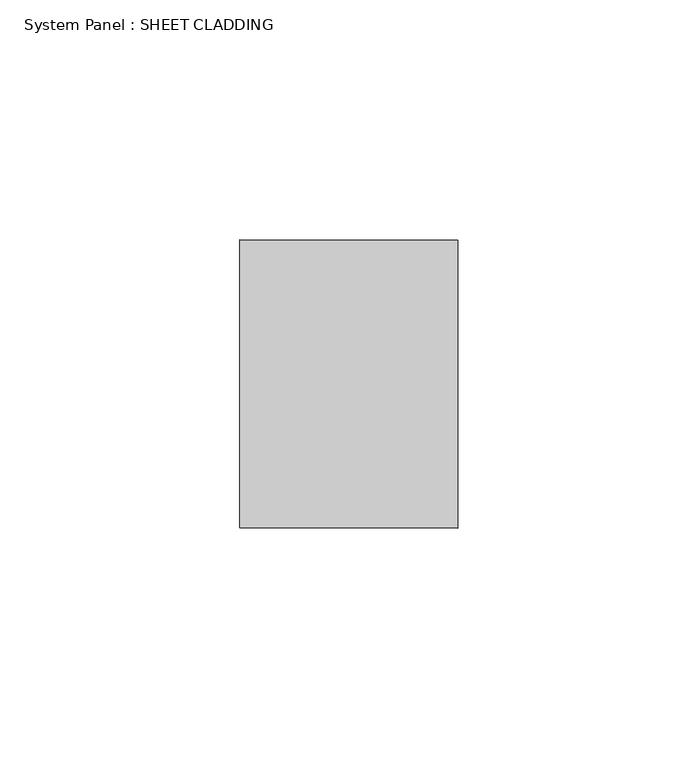
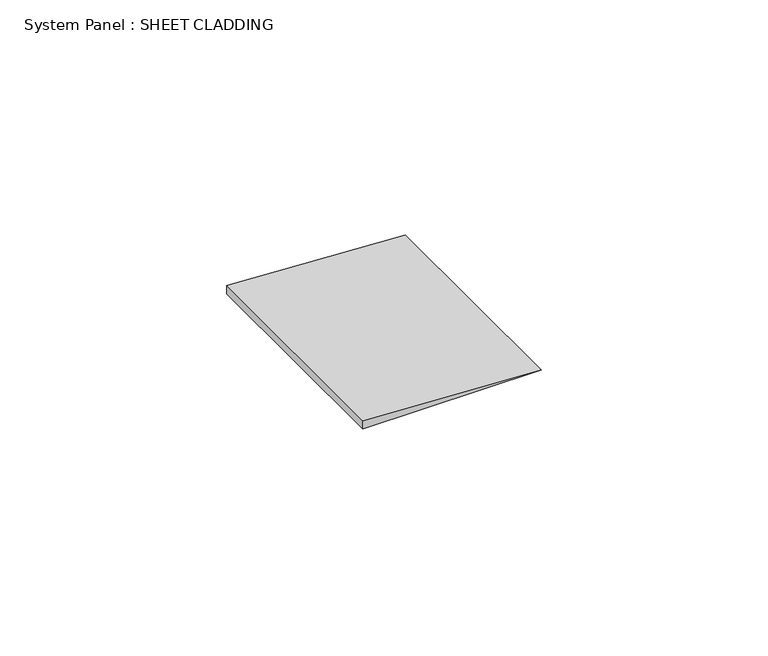
"""IFC4 building model written with IfcOpenShell, lengths in millimetres: plate geometry, System Panel : SHEET CLADDING."""

import ifcopenshell
import ifcopenshell.guid

model = None  # the IFC model being written
_history = None  # IfcOwnerHistory: only IFC2X3 demands one
_inside = {}  # id of a spatial element -> (the spatial element, [elements in it])
_under = {}  # id of a project, library or spatial element -> (it, [spatial elements below it])
_declared = {}  # id of a project -> (the project, [libraries it declares])
_typed = {}  # id of a type object -> (the type object, [elements of that type])
_made_of = {}  # id of a material, layer set ... -> (it, [elements and type objects made of it])


def new_model(schema):
    """Start an empty IFC model of exactly this schema.

    Asked for "IFC4X3", IfcOpenShell would pick the latest addendum, in which some entities
    have other attributes; the version numbers below select the first issue.
    IFC2X3 requires an IfcOwnerHistory on every rooted entity: one is made here for all.
    """
    global model, _history
    if schema == "IFC4X3":
        model = ifcopenshell.file(schema_version=(4, 3, 0, 0))
    else:
        model = ifcopenshell.file(schema=schema)
    _inside.clear()
    _under.clear()
    _declared.clear()
    _typed.clear()
    _made_of.clear()
    _history = None
    if model.schema == "IFC2X3":
        org = make("IfcOrganization", Name="unknown")
        user = make(
            "IfcPersonAndOrganization",
            ThePerson=make("IfcPerson", FamilyName="unknown"),
            TheOrganization=org,
        )
        app = make(
            "IfcApplication",
            ApplicationDeveloper=org,
            Version="unknown",
            ApplicationFullName="unknown",
            ApplicationIdentifier="unknown",
        )
        _history = make(
            "IfcOwnerHistory",
            OwningUser=user,
            OwningApplication=app,
            ChangeAction="ADDED",
            CreationDate=0,
        )
    return model


def make(cls, **values):
    """One entity of the class cls with the attributes given. An attribute that is None is left unset."""
    return model.create_entity(
        cls, **{name: value for name, value in values.items() if value is not None}
    )


def rooted(cls, **values):
    """An entity with a GlobalId (a new one), such as an element, a storey or a relation."""
    return make(cls, GlobalId=ifcopenshell.guid.new(), OwnerHistory=_history, **values)


def si_unit(unit_type, name, prefix=None):
    """IfcSIUnit, for example si_unit("LENGTHUNIT", "METRE", prefix="MILLI")."""
    return make("IfcSIUnit", UnitType=unit_type, Prefix=prefix, Name=name)


def assignment(units):
    """IfcUnitAssignment: the units of a project."""
    return None if units is None else make("IfcUnitAssignment", Units=units)


def point(xyz):
    """IfcCartesianPoint."""
    return None if xyz is None else make("IfcCartesianPoint", Coordinates=xyz)


def direction(xyz):
    """IfcDirection."""
    return None if xyz is None else make("IfcDirection", DirectionRatios=xyz)


def frame(location, z_axis=None, x_axis=None):
    """IfcAxis2Placement3D, a coordinate frame: its origin and axes. An axis left out is left unset."""
    return make(
        "IfcAxis2Placement3D",
        Location=point(location),
        Axis=direction(z_axis),
        RefDirection=direction(x_axis),
    )


def origin():
    """The frame at (0, 0, 0) with its axes left unset."""
    return frame((0.0, 0.0, 0.0))


def place(relative_to, where):
    """IfcLocalPlacement: puts the frame where relative to a parent placement (None: the world)."""
    return make(
        "IfcLocalPlacement", PlacementRelTo=relative_to, RelativePlacement=where
    )


def context(
    kind, dimensions, precision=None, world=None, true_north=None, identifier=None
):
    """IfcGeometricRepresentationContext, for example the 3D "Model" context."""
    return make(
        "IfcGeometricRepresentationContext",
        ContextIdentifier=identifier,
        ContextType=kind,
        CoordinateSpaceDimension=dimensions,
        Precision=precision,
        WorldCoordinateSystem=world,
        TrueNorth=true_north,
    )


def project(units=None, contexts=None):
    """IfcProject with its units and contexts."""
    return rooted(
        "IfcProject",
        Name="project",
        RepresentationContexts=contexts,
        UnitsInContext=assignment(units),
    )


def spatial(cls, under=None, at=None, **own):
    """A site, building, storey or space (cls), placed at a placement, below another one or the project."""
    s = rooted(cls, ObjectPlacement=at, **own)
    if under is not None:
        _under.setdefault(under.id(), (under, []))[1].append(s)
    return s


def polyline(points):
    """IfcPolyline through the points."""
    return make("IfcPolyline", Points=[point(p) for p in points])


def outline(outer, holes=None, kind="AREA"):
    """IfcArbitraryClosedProfileDef: a profile drawn as a closed curve; with holes, ...WithVoids."""
    if holes is None:
        return make("IfcArbitraryClosedProfileDef", ProfileType=kind, OuterCurve=outer)
    return make(
        "IfcArbitraryProfileDefWithVoids",
        ProfileType=kind,
        OuterCurve=outer,
        InnerCurves=holes,
    )


def extrude(swept, where, along, depth):
    """IfcExtrudedAreaSolid: the profile swept, set in the frame where, extruded along a direction by depth."""
    return make(
        "IfcExtrudedAreaSolid",
        SweptArea=swept,
        Position=where,
        ExtrudedDirection=direction(along),
        Depth=depth,
    )


def shape(context_of_items, identifier, shape_type, items):
    """IfcShapeRepresentation: the items that make up one representation, for example the "Body"."""
    return make(
        "IfcShapeRepresentation",
        ContextOfItems=context_of_items,
        RepresentationIdentifier=identifier,
        RepresentationType=shape_type,
        Items=items,
    )


def source(mapping_origin, context_of_items, identifier, shape_type, items):
    """IfcRepresentationMap: a shape defined once, which mapped items show again and again."""
    return make(
        "IfcRepresentationMap",
        MappingOrigin=mapping_origin,
        MappedRepresentation=shape(context_of_items, identifier, shape_type, items),
    )


def transform(
    local_origin,
    x_axis=None,
    y_axis=None,
    z_axis=None,
    scale=None,
    scale2=None,
    scale3=None,
    uniform=True,
):
    """IfcCartesianTransformationOperator3D, or its non-uniform kind. x_axis, y_axis, z_axis: its Axis1, 2, 3."""
    if uniform:
        return make(
            "IfcCartesianTransformationOperator3D",
            Axis1=direction(x_axis),
            Axis2=direction(y_axis),
            LocalOrigin=point(local_origin),
            Scale=scale,
            Axis3=direction(z_axis),
        )
    return make(
        "IfcCartesianTransformationOperator3DnonUniform",
        Axis1=direction(x_axis),
        Axis2=direction(y_axis),
        LocalOrigin=point(local_origin),
        Scale=scale,
        Axis3=direction(z_axis),
        Scale2=scale2,
        Scale3=scale3,
    )


def mapped(mapping_source, mapping_target):
    """IfcMappedItem: shows the shape of a source again, moved by a transform."""
    return make(
        "IfcMappedItem", MappingSource=mapping_source, MappingTarget=mapping_target
    )


def made_of(thing, what):
    """Note that an element or type object is made of a material, layer set ...; save() writes the relation."""
    if what is not None:
        _made_of.setdefault(what.id(), (what, []))[1].append(thing)
    return thing


def element(
    cls,
    number,
    at=None,
    inside=None,
    cuts=None,
    type_object=None,
    material=None,
    context=None,
    identifier="Body",
    shape_type=None,
    held_by="IfcProductDefinitionShape",
    body=None,
    shapes=None,
    **own,
):
    """One element of the class cls, such as IfcWall. Its Tag is "e" and its number.

    at: its placement. inside: the storey or other place that contains it. cuts: it is an
    opening in that element (IfcRelVoidsElement). A single representation is given by context,
    identifier, shape_type and body (its items); several are given by shapes. held_by: the class
    of the entity that holds the representations. save() writes the other relations.
    """
    e = rooted(cls, Tag="e%d" % number, ObjectPlacement=at, **own)
    if body is not None:
        shapes = [shape(context, identifier, shape_type, body)]
    if shapes is not None:
        e.Representation = make(held_by, Representations=shapes)
    if inside is not None:
        _inside.setdefault(inside.id(), (inside, []))[1].append(e)
    if cuts is not None:
        rooted(
            "IfcRelVoidsElement", RelatingBuildingElement=cuts, RelatedOpeningElement=e
        )
    if type_object is not None:
        _typed.setdefault(type_object.id(), (type_object, []))[1].append(e)
    return made_of(e, material)


def aggregate(whole, parts):
    """IfcRelAggregates: a whole, such as a stair, and the parts it consists of."""
    return rooted("IfcRelAggregates", RelatingObject=whole, RelatedObjects=parts)


def save(model, path):
    """Write the relations noted so far, then the file.

    IfcRelAggregates (storeys below a building ...), IfcRelContainedInSpatialStructure (elements
    in a storey), IfcRelDefinesByType, IfcRelAssociatesMaterial and IfcRelDeclares: one each for
    every whole, place, type object, material and project.
    """
    for whole, parts in _under.values():
        aggregate(whole, parts)
    for where, things in _inside.values():
        rooted(
            "IfcRelContainedInSpatialStructure",
            RelatedElements=things,
            RelatingStructure=where,
        )
    for kind, things in _typed.values():
        rooted("IfcRelDefinesByType", RelatedObjects=things, RelatingType=kind)
    for what, things in _made_of.values():
        rooted("IfcRelAssociatesMaterial", RelatedObjects=things, RelatingMaterial=what)
    for by, libraries in _declared.values():
        rooted("IfcRelDeclares", RelatingContext=by, RelatedDefinitions=libraries)
    model.write(path)


def system_panel_sheet_cladding_b789fd5c(model_context):
    return source(origin(), model_context, "Body", "SweptSolid", [
        extrude(outline(polyline([(0.0, -22.6836735), (0.0, 22.6836735), (2.2683673, -22.6836735), (0.0, -22.6836735)])), frame((0.0, -10.5, 0.0), z_axis=(0.0, 1.0, 0.0), x_axis=(0.0, 0.0, 1.0)), (0.0, 0.0, 1.0), 60.0),
    ])


if __name__ == "__main__":
    model = new_model("IFC4")
    model_context = context("Model", 3, world=origin())
    ifc_project = project(units=[si_unit("LENGTHUNIT", "METRE", prefix="MILLI")], contexts=[model_context])
    site = spatial("IfcSite", under=ifc_project)
    building = spatial("IfcBuilding", under=site)
    placement = place(None, origin())
    system_panel_sheet_cladding_shape = system_panel_sheet_cladding_b789fd5c(model_context)
    element("IfcPlate", 1, ObjectType="System Panel : SHEET CLADDING", at=placement, inside=building, context=model_context, shape_type="MappedRepresentation", body=[
        mapped(system_panel_sheet_cladding_shape, transform((0.0, 0.0, 0.0), x_axis=(1.0, 0.0, 0.0), y_axis=(0.0, 1.0, 0.0), z_axis=(0.0, 0.0, 1.0))),
    ])
    save(model, "model.ifc")
